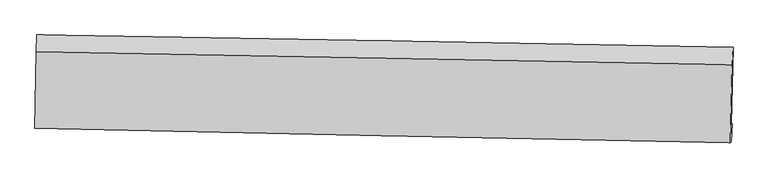
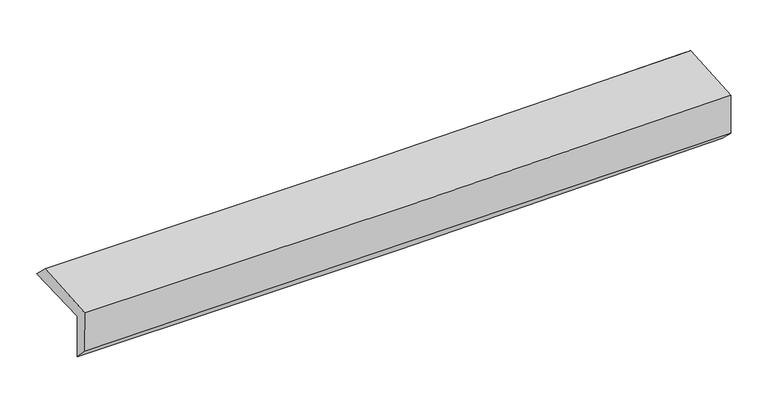
"""IFC4 building model written with IfcOpenShell, lengths in millimetres: proxy geometry."""

from ifc_helpers import new_model, si_unit, frame, origin, place, context, project, spatial, source, transform, mapped, element, save
from ifc_brep_helpers import plane_surface, spline_curve, spline_surface, advanced_brep


def generic_models_67b703fa(model_context):
    return source(origin(), model_context, "Body", "AdvancedBrep", [
        advanced_brep(
        [(-2992.0874602, -1758.1620061, 1974.7695784), (-2979.1781226, -1084.5495542, 1979.9459847), (2984.6019068, -1190.3505091, 2130.4597121), (2967.2264258, -1851.8539713, 2107.580862), (-2982.6318706, -1740.4501866, 1557.3331612), (2976.3843863, -1845.4188861, 1689.820784), (-2988.3715538, -1879.1178836, 1697.4505089), (2968.9951099, -2000.9587334, 1838.0653585), (-2997.0211055, -1886.1765685, 2087.3993176), (2960.6296104, -2007.8451727, 2218.4093481), (-2984.8913387, -1226.8319917, 2115.6500542), (2978.0844844, -1338.6981188, 2247.1966256)],
        [
            (0, 1),
            (1, 2, spline_curve(3, [(-2979.1781226, -1084.5495542, 1979.9459847), (-1985.058683966, -1099.017802559, 1992.476825318), (-991.071182038, -1115.067545333, 2011.283015396), (996.855551508, -1150.333844314, 2061.451534688), (1990.794726211, -1169.551086386, 2092.816587248), (2984.6019068, -1190.3505091, 2130.4597121)], [4, 2, 4], [0.0, 9.782843727628306, 19.567809704461258])),
            (2, 3),
            (3, 0, spline_curve(3, [(2967.2264258, -1851.8539713, 2107.580862), (1974.215392771, -1842.540109686, 2065.176102965), (981.046507924, -1830.074326611, 2032.906015331), (-1005.391522313, -1798.842304693, 1988.639982992), (-1998.660599945, -1780.077432508, 1976.639643002), (-2992.0874602, -1758.1620061, 1974.7695784)], [4, 2, 4], [0.0, 9.784965976832952, 19.567809704461258])),
            (4, 0),
            (3, 5),
            (5, 4, spline_curve(3, [(2976.3843863, -1845.4188861, 1689.820784), (1983.591873454, -1824.018479288, 1651.176962084), (990.557044783, -1804.570147115, 1620.814116743), (-995.781812528, -1769.581427027, 1576.655167566), (-1989.085736203, -1754.040192822, 1562.855471943), (-2982.6318706, -1740.4501866, 1557.3331612)], [4, 2, 4], [0.0, 9.78079334533885, 19.559465346469953])),
            (6, 4),
            (5, 7),
            (7, 6, spline_curve(3, [(2968.9951099, -2000.9587334, 1838.0653585), (1975.947277083, -1982.6560668, 1818.385451385), (982.922298625, -1963.350119543, 1796.826118773), (-1002.866579619, -1922.7360675, 1749.95368703), (-1995.630488682, -1901.428398428, 1724.641402853), (-2988.3715538, -1879.1178836, 1697.4505089)], [4, 2, 4], [0.0, 9.779384612719388, 19.55664818676931])),
            (8, 6),
            (7, 9),
            (9, 8, spline_curve(3, [(2960.6296104, -2007.8451727, 2218.4093481), (1967.834238014, -1989.32440334, 2186.701045528), (974.911799686, -1969.92377335, 2159.928742859), (-1010.971827404, -1929.367190061, 2116.26087359), (-2003.932960987, -1908.211618835, 2099.363166118), (-2997.0211055, -1886.1765685, 2087.3993176)], [4, 2, 4], [0.0, 9.778474669901167, 19.554828498489243])),
            (10, 8),
            (9, 11),
            (11, 10, spline_curve(3, [(2978.0844844, -1338.6981188, 2247.1966256), (1984.27315889, -1321.827204567, 2215.395306672), (990.398944342, -1304.068462614, 2188.531779494), (-997.25969095, -1266.779368817, 2144.685064151), (-1991.044083584, -1247.249401435, 2127.699734176), (-2984.8913387, -1226.8319917, 2115.6500542)], [4, 2, 4], [0.0, 9.782871585550305, 19.563621376145907])),
            (1, 10),
            (11, 2),
        ],
        [
            spline_surface(3, 3, [[(-2992.0874602, -1758.1620061, 1974.7695784), (-1998.660599833, -1780.077432613, 1976.639642979), (-1005.391522436, -1798.84230458, 1988.639983089), (981.046508047, -1830.074326725, 2032.906015234), (1974.215392614, -1842.540109837, 2065.176103002), (2967.2264258, -1851.8539713, 2107.580862)], [(-2987.784347657, -1533.62452214, 1976.495047139), (-1994.126627919, -1553.057555977, 1981.918703761), (-1000.618075688, -1570.91738486, 1996.187660491), (986.316189209, -1603.494165866, 2042.42118842), (1979.741837094, -1618.210435365, 2074.389597776), (2973.0182528, -1631.352817247, 2115.207145366)], [(-2983.481235143, -1309.08703816, 1978.220515961), (-1989.592656035, -1326.037679322, 1987.197764625), (-995.844628875, -1342.99246518, 2003.735337892), (991.585870435, -1376.914005046, 2051.936361605), (1985.268281574, -1393.880760852, 2083.603092553), (2978.8100798, -1410.851663153, 2122.833428734)], [(-2979.1781226, -1084.5495542, 1979.9459847), (-1985.058684121, -1099.017802687, 1992.476825407), (-991.071182127, -1115.06754546, 2011.283015294), (996.855551597, -1150.333844187, 2061.451534791), (1990.794726054, -1169.55108638, 2092.816587327), (2984.6019068, -1190.3505091, 2130.4597121)]], [4, 4], [4, 2, 4], [0.0, 2.238857515536793], [0.0, 9.782843727628306, 19.567809704461258]),
            spline_surface(3, 3, [[(-2982.6318706, -1740.4501866, 1557.3331612), (-1989.085736344, -1754.040192818, 1562.855472074), (-995.781812579, -1769.581427151, 1576.655167548), (990.557044834, -1804.57014699, 1620.814116761), (1983.591873342, -1824.01847913, 1651.176962237), (2976.3843863, -1845.4188861, 1689.820784)], [(-2985.783733805, -1746.354126437, 1696.478633606), (-1992.277357512, -1762.719272754, 1700.783529048), (-998.985049203, -1779.335052948, 1713.983439417), (987.386865901, -1813.071540222, 1758.178082941), (1980.466379765, -1830.192356017, 1789.176675836), (2973.331732799, -1847.563914484, 1829.074143344)], [(-2988.935596995, -1752.258066263, 1835.624105994), (-1995.468978664, -1771.398352677, 1838.711586005), (-1002.188285813, -1789.088678784, 1851.31171122), (984.216686981, -1821.572933493, 1895.542049054), (1977.340886191, -1836.366232951, 1927.176389403), (2970.279079301, -1849.708942916, 1968.327502656)], [(-2992.0874602, -1758.1620061, 1974.7695784), (-1998.660599833, -1780.077432613, 1976.639642979), (-1005.391522436, -1798.84230458, 1988.639983089), (981.046508047, -1830.074326725, 2032.906015234), (1974.215392614, -1842.540109837, 2065.176103002), (2967.2264258, -1851.8539713, 2107.580862)]], [4, 4], [4, 2, 4], [0.0, 1.3551766977582156], [0.0, 9.778672001131103, 19.559465346469953]),
            spline_surface(3, 3, [[(-2988.3715538, -1879.1178836, 1697.4505089), (-1995.630488767, -1901.42839844, 1724.641403002), (-1002.866579482, -1922.736067648, 1749.953687052), (982.922298488, -1963.350119395, 1796.826118751), (1975.947277138, -1982.6560668, 1818.385451231), (2968.9951099, -2000.9587334, 1838.0653585)], [(-2986.458326083, -1832.89531792, 1650.744726341), (-1993.448904642, -1852.298996553, 1670.712759367), (-1000.504990503, -1871.684520841, 1692.187513862), (985.467213948, -1910.423461951, 1738.1554514), (1978.495475888, -1929.776870917, 1762.64928823), (2971.458202049, -1949.11211764, 1788.65050033)], [(-2984.545098317, -1786.67275228, 1604.038943759), (-1991.267320469, -1803.169594705, 1616.784115709), (-998.143401558, -1820.632973959, 1634.421340738), (988.012129374, -1857.496804434, 1679.484784113), (1981.043674592, -1876.897675013, 1706.913125239), (2973.921294151, -1897.26550186, 1739.23564217)], [(-2982.6318706, -1740.4501866, 1557.3331612), (-1989.085736344, -1754.040192818, 1562.855472074), (-995.781812579, -1769.581427151, 1576.655167548), (990.557044834, -1804.57014699, 1620.814116761), (1983.591873342, -1824.01847913, 1651.176962237), (2976.3843863, -1845.4188861, 1689.820784)]], [4, 4], [4, 2, 4], [0.0, 0.7686183813806855], [0.0, 9.77726357404992, 19.55664818676931]),
            spline_surface(3, 3, [[(-2997.0211055, -1886.1765685, 2087.3993176), (-2003.932961056, -1908.21161886, 2099.363166006), (-1010.971827387, -1929.367190207, 2116.260873588), (974.911799669, -1969.923773204, 2159.928742861), (1967.834238012, -1989.324403307, 2186.701045446), (2960.6296104, -2007.8451727, 2218.4093481)], [(-2994.137921607, -1883.823673527, 1957.416381355), (-2001.1654703, -1905.95054538, 1974.455911659), (-1008.2700781, -1927.156816016, 1994.158478097), (977.581965927, -1967.732555263, 2038.894534845), (1970.538584385, -1987.101624483, 2063.929180698), (2963.418110231, -2005.549692945, 2091.628018223)], [(-2991.254737693, -1881.470778573, 1827.433445145), (-1998.397979524, -1903.68947192, 1849.548657349), (-1005.568328768, -1924.946441839, 1872.056082543), (980.25213223, -1965.541337336, 1917.860326767), (1973.242930765, -1984.878845624, 1941.157315979), (2966.206610069, -2003.254213155, 1964.846688377)], [(-2988.3715538, -1879.1178836, 1697.4505089), (-1995.630488767, -1901.42839844, 1724.641403002), (-1002.866579482, -1922.736067648, 1749.953687052), (982.922298488, -1963.350119395, 1796.826118751), (1975.947277138, -1982.6560668, 1818.385451231), (2968.9951099, -2000.9587334, 1838.0653585)]], [4, 4], [4, 2, 4], [0.0, 1.1970252834636272], [0.0, 9.776353828588077, 19.554828498489243]),
            spline_surface(3, 3, [[(-2984.8913387, -1226.8319917, 2115.6500542), (-1991.044083643, -1247.24940132, 2127.699734119), (-997.259690787, -1266.779368667, 2144.685064083), (990.39894418, -1304.068462765, 2188.531779563), (1984.273159044, -1321.827204477, 2215.395306697), (2978.0844844, -1338.6981188, 2247.1966256)], [(-2988.934594298, -1446.613517303, 2106.233142026), (-1995.340376112, -1467.570140503, 2118.25421144), (-1001.830402975, -1487.64197585, 2135.210333918), (985.236562689, -1526.020232914, 2178.997433996), (1978.79351869, -1544.326270745, 2205.830552955), (2972.266193056, -1561.747136758, 2237.600866441)], [(-2992.977849902, -1666.395042897, 2096.816229774), (-1999.636668588, -1687.890879676, 2108.808688684), (-1006.401115199, -1708.504583023, 2125.735603753), (980.07418116, -1747.972003054, 2169.463088428), (1973.313878366, -1766.825337039, 2196.265799188), (2966.447901744, -1784.796154742, 2228.005107259)], [(-2997.0211055, -1886.1765685, 2087.3993176), (-2003.932961056, -1908.21161886, 2099.363166006), (-1010.971827387, -1929.367190207, 2116.260873588), (974.911799669, -1969.923773204, 2159.928742861), (1967.834238012, -1989.324403307, 2186.701045446), (2960.6296104, -2007.8451727, 2218.4093481)]], [4, 4], [4, 2, 4], [0.0, 2.181738652404939], [0.0, 9.780749790595602, 19.563621376145907]),
            spline_surface(3, 3, [[(-2979.1781226, -1084.5495542, 1979.9459847), (-1985.058684121, -1099.017802687, 1992.476825407), (-991.071182127, -1115.06754546, 2011.283015294), (996.855551597, -1150.333844187, 2061.451534791), (1990.794726054, -1169.55108638, 2092.816587327), (2984.6019068, -1190.3505091, 2130.4597121)], [(-2981.082527951, -1131.977033372, 2025.180674533), (-1987.053817279, -1148.42833557, 2037.55112831), (-993.13401833, -1165.638153198, 2055.750364868), (994.703349143, -1201.578717048, 2103.811616359), (1988.620870382, -1220.309792405, 2133.676160446), (2982.429432664, -1239.799712326, 2169.372016596)], [(-2982.986933349, -1179.404512528, 2070.415364367), (-1989.048950485, -1197.838868437, 2082.625431215), (-995.196854585, -1216.208760929, 2100.217714509), (992.551146635, -1252.823589903, 2146.171697994), (1986.447014717, -1271.068498452, 2174.535733578), (2980.256958536, -1289.248915574, 2208.284321104)], [(-2984.8913387, -1226.8319917, 2115.6500542), (-1991.044083643, -1247.24940132, 2127.699734119), (-997.259690787, -1266.779368667, 2144.685064083), (990.39894418, -1304.068462765, 2188.531779563), (1984.273159044, -1321.827204477, 2215.395306697), (2978.0844844, -1338.6981188, 2247.1966256)]], [4, 4], [4, 2, 4], [0.0, 0.6588446225809754], [0.0, 9.785901960008506, 19.5739268326618]),
            plane_surface(frame((2972.6536539, -1705.8542319, 2038.5887817), z_axis=(0.9994045066814607, -0.026994359847036097, 0.02149270949031132), x_axis=(0.021985642326437772, 0.018098475852409042, -0.9995944561187371))),
            plane_surface(frame((-2987.3635752, -1595.8813651, 1902.0914342), z_axis=(-0.9995751028560464, 0.01932388891238109, -0.02182203170252529), x_axis=(-0.019160255563126186, -0.9997869060536496, -0.007682908982050566))),
        ],
        [
            (0, [[1, 2, 3, 4]]),
            (1, [[5, -4, 6, 7]]),
            (2, [[8, -7, 9, 10]]),
            (3, [[11, -10, 12, 13]]),
            (4, [[14, -13, 15, 16]]),
            (5, [[17, -16, 18, -2]]),
            (6, [[-12, -9, -6, -3, -18, -15]]),
            (7, [[-1, -5, -8, -11, -14, -17]]),
        ],
    ),
    ])


if __name__ == "__main__":
    model = new_model("IFC4")
    model_context = context("Model", 3, world=origin())
    ifc_project = project(units=[si_unit("LENGTHUNIT", "METRE", prefix="MILLI")], contexts=[model_context])
    site = spatial("IfcSite", under=ifc_project)
    building = spatial("IfcBuilding", under=site)
    placement = place(None, origin())
    generic_models_shape = generic_models_67b703fa(model_context)
    element("IfcBuildingElementProxy", 1, Name="Generic Models", at=placement, inside=building, context=model_context, shape_type="MappedRepresentation", body=[
        mapped(generic_models_shape, transform((0.0, 0.0, 0.0), x_axis=(1.0, 0.0, 0.0), y_axis=(0.0, 1.0, 0.0), z_axis=(0.0, 0.0, 1.0))),
    ])
    save(model, "model.ifc")
